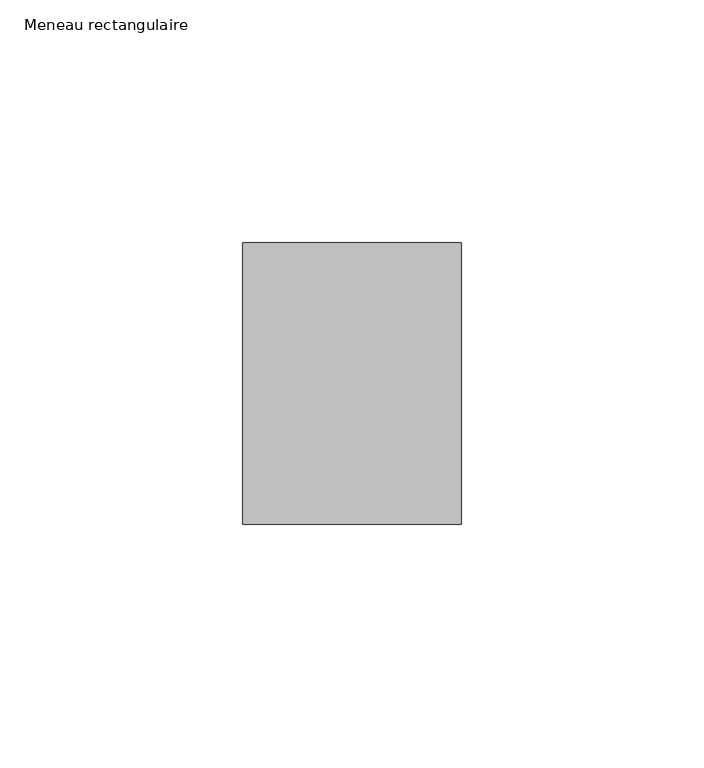
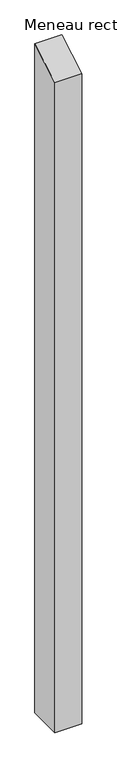
"""IFC4 building model written with IfcOpenShell, lengths in millimetres: member geometry, Meneau rectangulaire."""

from ifc_helpers import new_model, si_unit, frame, origin, place, context, project, spatial, polyline, outline, extrude, source, transform, mapped, element, save


def meneau_rectangulaire_b9ad4687(model_context):
    return source(origin(), model_context, "Body", "SweptSolid", [
        extrude(outline(polyline([(-29.0, -16.7431578), (29.0, 16.7431578), (29.0, -1169.8750002), (-29.0, -1169.8750002), (-29.0, -16.7431578)])), frame((-45.0, 0.0, 0.0), z_axis=(1.0, 0.0, 0.0), x_axis=(0.0, 1.0, 0.0)), (0.0, 0.0, 1.0), 45.0),
    ])


if __name__ == "__main__":
    model = new_model("IFC4")
    model_context = context("Model", 3, world=origin())
    ifc_project = project(units=[si_unit("LENGTHUNIT", "METRE", prefix="MILLI")], contexts=[model_context])
    site = spatial("IfcSite", under=ifc_project)
    building = spatial("IfcBuilding", under=site)
    placement = place(None, origin())
    meneau_rectangulaire_shape = meneau_rectangulaire_b9ad4687(model_context)
    element("IfcMember", 1, ObjectType="Meneau rectangulaire", at=placement, inside=building, context=model_context, shape_type="MappedRepresentation", body=[
        mapped(meneau_rectangulaire_shape, transform((0.0, 0.0, 0.0), x_axis=(1.0, 0.0, 0.0), y_axis=(0.0, 1.0, 0.0), z_axis=(0.0, 0.0, 1.0))),
    ])
    save(model, "model.ifc")
